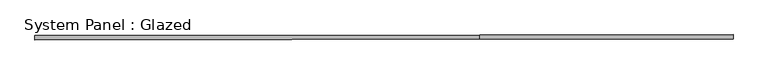
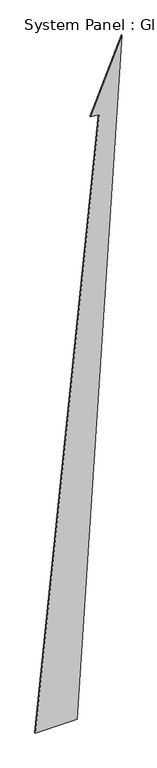
"""IFC4 building model written with IfcOpenShell, lengths in millimetres: plate geometry, System Panel : Glazed."""

from ifc_helpers import new_model, si_unit, frame, origin, place, context, project, spatial, polyline, outline, extrude, source, transform, mapped, element, save


def system_panel_glazed_1105d1ce(model_context):
    return source(origin(), model_context, "Body", "SweptSolid", [
        extrude(outline(polyline([(0.0, -1997.9748224), (0.0, -71.7314848), (32515.9816819, 1997.9748224), (29060.2605175, 547.7977431), (29019.89233, 945.7555416), (0.0, -1997.9748224)])), frame((0.0, -77.5, 0.0), z_axis=(0.0, 1.0, 0.0), x_axis=(0.0, 0.0, 1.0)), (0.0, 0.0, 1.0), 25.0),
    ])


if __name__ == "__main__":
    model = new_model("IFC4")
    model_context = context("Model", 3, world=origin())
    ifc_project = project(units=[si_unit("LENGTHUNIT", "METRE", prefix="MILLI")], contexts=[model_context])
    site = spatial("IfcSite", under=ifc_project)
    building = spatial("IfcBuilding", under=site)
    placement = place(None, origin())
    system_panel_glazed_shape = system_panel_glazed_1105d1ce(model_context)
    element("IfcPlate", 1, ObjectType="System Panel : Glazed", at=placement, inside=building, context=model_context, shape_type="MappedRepresentation", body=[
        mapped(system_panel_glazed_shape, transform((0.0, 0.0, 0.0), x_axis=(1.0, 0.0, 0.0), y_axis=(0.0, 1.0, 0.0), z_axis=(0.0, 0.0, 1.0))),
    ])
    save(model, "model.ifc")
